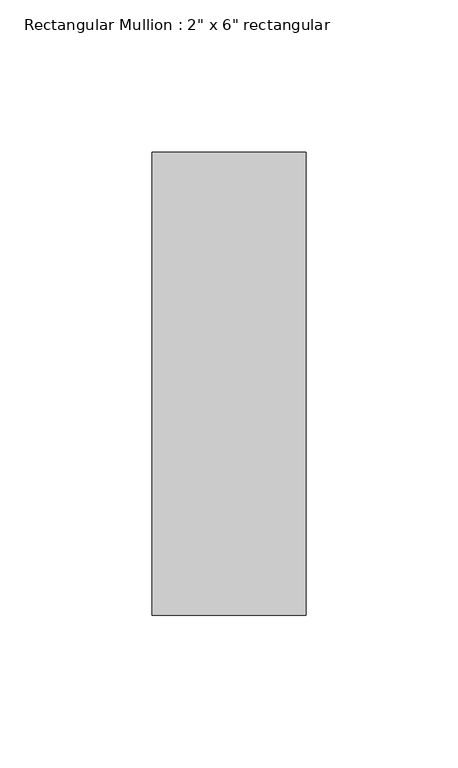
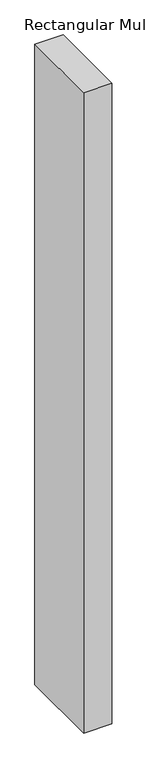
"""IFC4 building model written with IfcOpenShell, lengths in millimetres: member geometry."""

from ifc_helpers import new_model, si_unit, frame, origin, place, context, project, spatial, polyline, outline, extrude, source, transform, mapped, element, save


def member_09a89f6e(model_context):
    return source(origin(), model_context, "Body", "SweptSolid", [
        extrude(outline(polyline([(0.0, 76.2), (0.0, -76.2), (-50.8, -76.2), (-50.8, 76.2), (0.0, 76.2)])), frame((0.0, 0.0, -1219.2), z_axis=(0.0, 0.0, 1.0), x_axis=(1.0, 0.0, 0.0)), (0.0, 0.0, 1.0), 1219.2),
    ])


if __name__ == "__main__":
    model = new_model("IFC4")
    model_context = context("Model", 3, world=origin())
    ifc_project = project(units=[si_unit("LENGTHUNIT", "METRE", prefix="MILLI")], contexts=[model_context])
    site = spatial("IfcSite", under=ifc_project)
    building = spatial("IfcBuilding", under=site)
    placement = place(None, origin())
    member_shape = member_09a89f6e(model_context)
    element("IfcMember", 1, ObjectType="Rectangular Mullion : 2\" x 6\" rectangular", at=placement, inside=building, context=model_context, shape_type="MappedRepresentation", body=[
        mapped(member_shape, transform((0.0, 0.0, 0.0), x_axis=(1.0, 0.0, 0.0), y_axis=(0.0, 1.0, 0.0), z_axis=(0.0, 0.0, 1.0))),
    ])
    save(model, "model.ifc")
